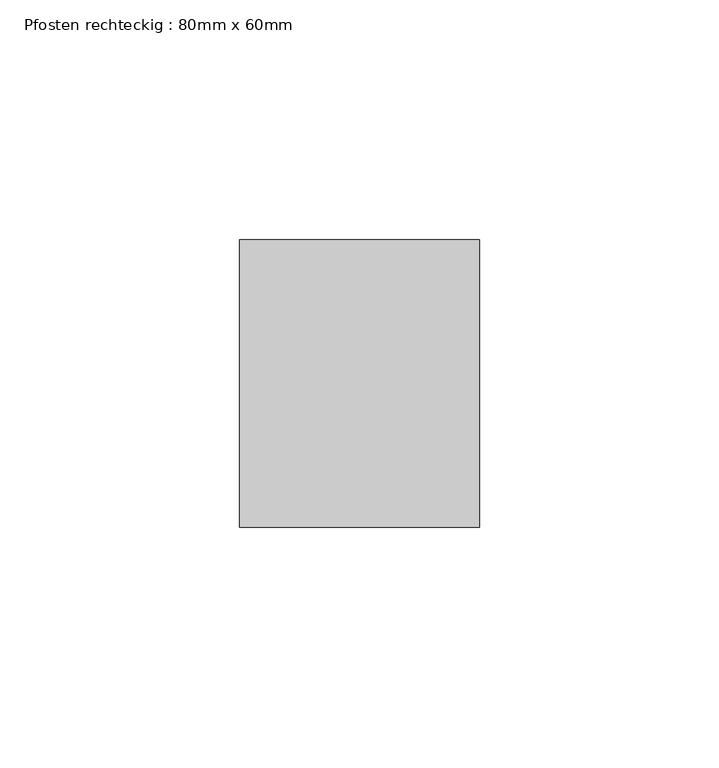
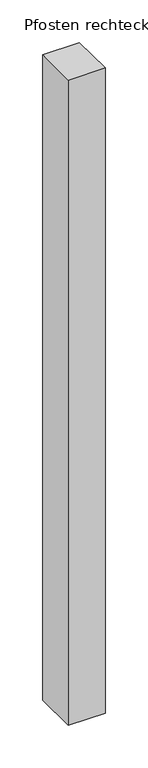
"""IFC4 building model written with IfcOpenShell, lengths in millimetres: member geometry, Pfosten rechteckig : 80mm x 60mm."""

from ifc_helpers import new_model, si_unit, frame, origin, place, context, project, spatial, polyline, outline, extrude, source, transform, mapped, element, save


def pfosten_rechteckig_80mm_x_60mm_f92de52a(model_context):
    return source(origin(), model_context, "Body", "SweptSolid", [
        extrude(outline(polyline([(0.0, 30.0), (0.0, -30.0), (-50.0, -30.0), (-50.0, 30.0), (0.0, 30.0)])), frame((0.0, 0.0, -925.0), z_axis=(0.0, 0.0, 1.0), x_axis=(1.0, 0.0, 0.0)), (0.0, 0.0, 1.0), 925.0),
    ])


if __name__ == "__main__":
    model = new_model("IFC4")
    model_context = context("Model", 3, world=origin())
    ifc_project = project(units=[si_unit("LENGTHUNIT", "METRE", prefix="MILLI")], contexts=[model_context])
    site = spatial("IfcSite", under=ifc_project)
    building = spatial("IfcBuilding", under=site)
    placement = place(None, origin())
    pfosten_rechteckig_80mm_x_60mm_shape = pfosten_rechteckig_80mm_x_60mm_f92de52a(model_context)
    element("IfcMember", 1, ObjectType="Pfosten rechteckig : 80mm x 60mm", at=placement, inside=building, context=model_context, shape_type="MappedRepresentation", body=[
        mapped(pfosten_rechteckig_80mm_x_60mm_shape, transform((0.0, 0.0, 0.0), x_axis=(1.0, 0.0, 0.0), y_axis=(0.0, 1.0, 0.0), z_axis=(0.0, 0.0, 1.0))),
    ])
    save(model, "model.ifc")
